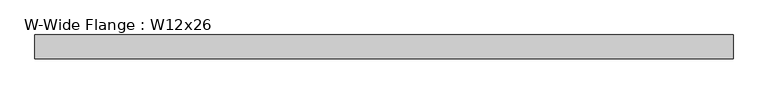
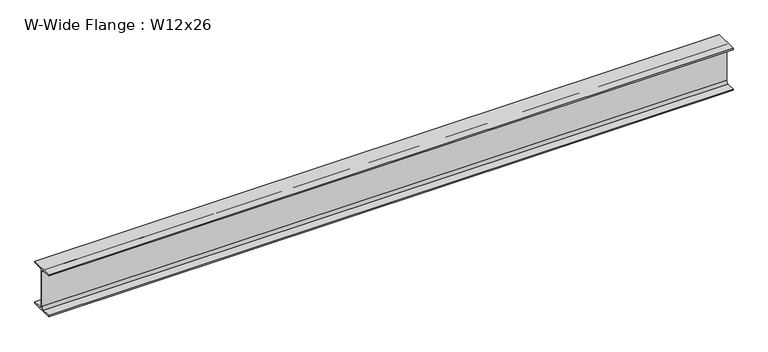
"""IFC4 building model written with IfcOpenShell, lengths in millimetres: beam geometry, W-Wide Flange : W12x26."""

from ifc_helpers import new_model, si_unit, point, frame, frame_2d, origin, place, context, project, spatial, polyline, circle_curve, trimmed, segment, composite_curve, outline, extrude, source, transform, mapped, element, save


def w_wide_flange_w12x26_fa854ddc(model_context):
    return source(origin(), model_context, "Body", "SweptSolid", [
        extrude(outline(composite_curve([segment(polyline([(82.423, -145.288), (82.423, -154.94), (-82.423, -154.94), (-82.423, -145.288), (-20.2565, -145.288)]), True, "CONTINUOUS"), segment(trimmed(circle_curve(frame_2d((-20.2565, -127.9525)), 17.3355), [point((-20.2565, -145.288))], [point((-2.921, -127.9525))], True, "CARTESIAN"), True, "CONTINUOUS"), segment(polyline([(-2.921, -127.9525), (-2.921, 127.9525)]), True, "CONTINUOUS"), segment(trimmed(circle_curve(frame_2d((-20.2565, 127.9525)), 17.3355), [point((-2.921, 127.9525))], [point((-20.2565, 145.288))], True, "CARTESIAN"), True, "CONTINUOUS"), segment(polyline([(-20.2565, 145.288), (-82.423, 145.288), (-82.423, 154.94), (82.423, 154.94), (82.423, 145.288), (20.2565, 145.288)]), True, "CONTINUOUS"), segment(trimmed(circle_curve(frame_2d((20.2565, 127.9525)), 17.3355), [point((20.2565, 145.288))], [point((2.921, 127.9525))], True, "CARTESIAN"), True, "CONTINUOUS"), segment(polyline([(2.921, 127.9525), (2.921, -127.9525)]), True, "CONTINUOUS"), segment(trimmed(circle_curve(frame_2d((20.2565, -127.9525)), 17.3355), [point((2.921, -127.9525))], [point((20.2565, -145.288))], True, "CARTESIAN"), True, "CONTINUOUS"), segment(polyline([(20.2565, -145.288), (82.423, -145.288)]), True, "CONTINUOUS")], self_intersect=False)), frame((-2342.134, 0.0, 0.0), z_axis=(1.0, 0.0, 0.0), x_axis=(0.0, 1.0, 0.0)), (0.0, 0.0, 1.0), 4780.5339994),
    ])


if __name__ == "__main__":
    model = new_model("IFC4")
    model_context = context("Model", 3, world=origin())
    ifc_project = project(units=[si_unit("LENGTHUNIT", "METRE", prefix="MILLI")], contexts=[model_context])
    site = spatial("IfcSite", under=ifc_project)
    building = spatial("IfcBuilding", under=site)
    placement = place(None, origin())
    w_wide_flange_w12x26_shape = w_wide_flange_w12x26_fa854ddc(model_context)
    element("IfcBeam", 1, ObjectType="W-Wide Flange : W12x26", at=placement, inside=building, context=model_context, shape_type="MappedRepresentation", body=[
        mapped(w_wide_flange_w12x26_shape, transform((0.0, 0.0, 0.0), x_axis=(1.0, 0.0, 0.0), y_axis=(0.0, 1.0, 0.0), z_axis=(0.0, 0.0, 1.0))),
    ])
    save(model, "model.ifc")
